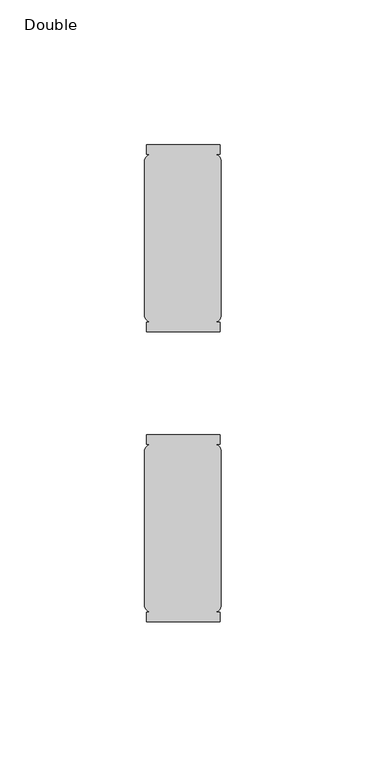
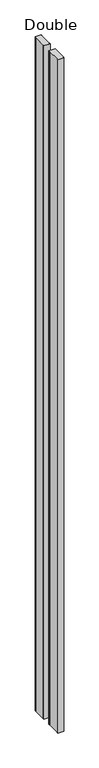
"""IFC4 building model written with IfcOpenShell, lengths in millimetres: furniture geometry, Double."""

from ifc_helpers import new_model, si_unit, point, frame, frame_2d, origin, place, context, project, spatial, polyline, circle_curve, trimmed, segment, composite_curve, outline, extrude, source, transform, mapped, element, save


def double_a6d33bca(model_context):
    return source(origin(), model_context, "Body", "SweptSolid", [
        extrude(outline(composite_curve([segment(trimmed(circle_curve(frame_2d((-10.4608087, -28.1771142)), 2.794), [point((-13.1617229, -27.4619229))], [point((-11.176, -25.4762))], False, "CARTESIAN"), True, "CONTINUOUS"), segment(polyline([(-11.176, -25.4762), (-12.5772868, -25.4762), (-12.5772868, -22.3012), (12.8227132, -22.3012), (12.8227132, -25.4762), (11.176, -25.4762)]), True, "CONTINUOUS"), segment(trimmed(circle_curve(frame_2d((10.4608087, -28.1771142)), 2.794), [point((11.176, -25.4762))], [point((13.1617229, -27.4619229))], False, "CARTESIAN"), True, "CONTINUOUS"), segment(polyline([(13.1617229, -27.4619229), (13.1617229, -81.5040771)]), True, "CONTINUOUS"), segment(trimmed(circle_curve(frame_2d((10.4608087, -80.7888858)), 2.794), [point((13.1617229, -81.5040771))], [point((11.176, -83.4898))], False, "CARTESIAN"), True, "CONTINUOUS"), segment(polyline([(11.176, -83.4898), (12.8227132, -83.4898), (12.8227132, -86.6648), (-12.5772868, -86.6648), (-12.5772868, -83.4898), (-11.176, -83.4898)]), True, "CONTINUOUS"), segment(trimmed(circle_curve(frame_2d((-10.4608087, -80.7888858)), 2.794), [point((-11.176, -83.4898))], [point((-13.1617229, -81.5040771))], False, "CARTESIAN"), True, "CONTINUOUS"), segment(polyline([(-13.1617229, -81.5040771), (-13.1617229, -27.4619229)]), True, "CONTINUOUS")], self_intersect=False)), frame((0.0, 0.0, 29.718), z_axis=(0.0, 0.0, 1.0), x_axis=(1.0, 0.0, 0.0)), (0.0, 0.0, 1.0), 2958.735199),
        extrude(outline(composite_curve([segment(polyline([(-13.1617229, 18.5211229), (-13.1617229, 72.5632771)]), True, "CONTINUOUS"), segment(trimmed(circle_curve(frame_2d((-10.4608087, 71.8480858)), 2.794), [point((-13.1617229, 72.5632771))], [point((-11.176, 74.549))], False, "CARTESIAN"), True, "CONTINUOUS"), segment(polyline([(-11.176, 74.549), (-12.5772868, 74.549), (-12.5772868, 77.724), (12.8227132, 77.724), (12.8227132, 74.549), (11.176, 74.549)]), True, "CONTINUOUS"), segment(trimmed(circle_curve(frame_2d((10.4608087, 71.8480858)), 2.794), [point((11.176, 74.549))], [point((13.1617229, 72.5632771))], False, "CARTESIAN"), True, "CONTINUOUS"), segment(polyline([(13.1617229, 72.5632771), (13.1617229, 18.5211229)]), True, "CONTINUOUS"), segment(trimmed(circle_curve(frame_2d((10.4608087, 19.2363142)), 2.794), [point((13.1617229, 18.5211229))], [point((11.176, 16.5354))], False, "CARTESIAN"), True, "CONTINUOUS"), segment(polyline([(11.176, 16.5354), (12.8227132, 16.5354), (12.8227132, 13.3604), (-12.5772868, 13.3604), (-12.5772868, 16.5354), (-11.176, 16.5354)]), True, "CONTINUOUS"), segment(trimmed(circle_curve(frame_2d((-10.4608087, 19.2363142)), 2.794), [point((-11.176, 16.5354))], [point((-13.1617229, 18.5211229))], False, "CARTESIAN"), True, "CONTINUOUS")], self_intersect=False)), frame((0.0, 0.0, 29.718), z_axis=(0.0, 0.0, 1.0), x_axis=(1.0, 0.0, 0.0)), (0.0, 0.0, 1.0), 2958.735199),
    ])


if __name__ == "__main__":
    model = new_model("IFC4")
    model_context = context("Model", 3, world=origin())
    ifc_project = project(units=[si_unit("LENGTHUNIT", "METRE", prefix="MILLI")], contexts=[model_context])
    site = spatial("IfcSite", under=ifc_project)
    building = spatial("IfcBuilding", under=site)
    placement = place(None, origin())
    double_shape = double_a6d33bca(model_context)
    element("IfcFurniture", 1, ObjectType="Double", at=placement, inside=building, context=model_context, shape_type="MappedRepresentation", body=[
        mapped(double_shape, transform((0.0, 0.0, 0.0), x_axis=(1.0, 0.0, 0.0), y_axis=(0.0, 1.0, 0.0), z_axis=(0.0, 0.0, 1.0))),
    ])
    save(model, "model.ifc")
